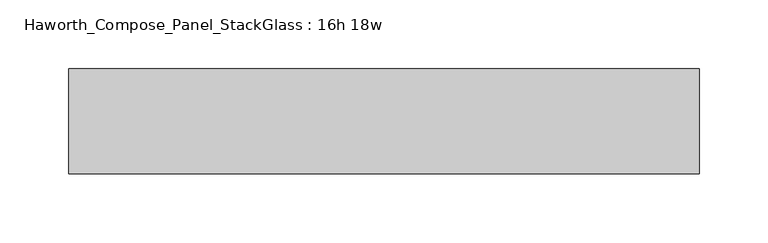
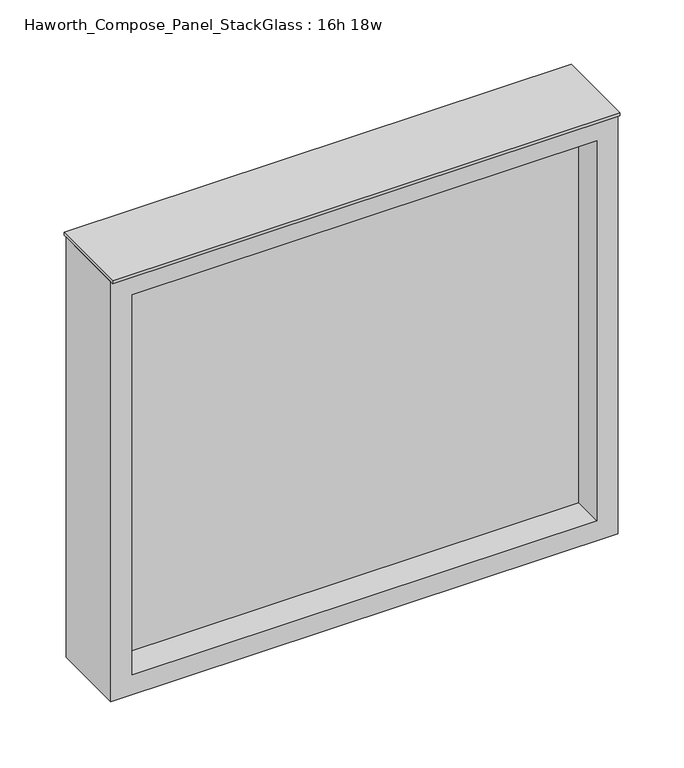
"""IFC4 building model written with IfcOpenShell, lengths in millimetres: furniture geometry, Haworth_Compose_Panel_StackGlass : 16h 18w."""

from ifc_helpers import new_model, si_unit, frame, origin, place, context, project, spatial, polyline, outline, extrude, source, transform, mapped, element, save


def haworth_compose_panel_stackglass_16h_18w_44f79cb2(model_context):
    return source(origin(), model_context, "Body", "SweptSolid", [
        extrude(outline(polyline([(211.9902902, -6.35), (-207.1097098, -6.35), (-207.1097098, 6.35), (211.9902902, 6.35), (211.9902902, -6.35)])), frame((0.0, 0.0, 1085.85), z_axis=(0.0, 0.0, 1.0), x_axis=(1.0, 0.0, 0.0)), (0.0, 0.0, 1.0), 361.95),
        extrude(outline(polyline([(1466.85, -226.1597098), (1066.8, -226.1597098), (1066.8, 231.0402902), (1466.85, 231.0402902), (1466.85, -226.1597098)]), holes=[polyline([(1447.8, 211.9902902), (1085.85, 211.9902902), (1085.85, -207.1097098), (1447.8, -207.1097098), (1447.8, 211.9902902)])]), frame((0.0, -34.925, 0.0), z_axis=(0.0, 1.0, 0.0), x_axis=(0.0, 0.0, 1.0)), (0.0, 0.0, 1.0), 69.85),
        extrude(outline(polyline([(-226.1597098, -38.1), (-226.1597098, 38.1), (231.0402902, 38.1), (231.0402902, -38.1), (-226.1597098, -38.1)])), frame((0.0, 0.0, 1466.85), z_axis=(0.0, 0.0, 1.0), x_axis=(1.0, 0.0, 0.0)), (0.0, 0.0, 1.0), 3.175),
    ])


if __name__ == "__main__":
    model = new_model("IFC4")
    model_context = context("Model", 3, world=origin())
    ifc_project = project(units=[si_unit("LENGTHUNIT", "METRE", prefix="MILLI")], contexts=[model_context])
    site = spatial("IfcSite", under=ifc_project)
    building = spatial("IfcBuilding", under=site)
    placement = place(None, origin())
    haworth_compose_panel_stackglass_16h_18w_shape = haworth_compose_panel_stackglass_16h_18w_44f79cb2(model_context)
    element("IfcFurniture", 1, ObjectType="Haworth_Compose_Panel_StackGlass : 16h 18w", at=placement, inside=building, context=model_context, shape_type="MappedRepresentation", body=[
        mapped(haworth_compose_panel_stackglass_16h_18w_shape, transform((0.0, 0.0, 0.0), x_axis=(1.0, 0.0, 0.0), y_axis=(0.0, 1.0, 0.0), z_axis=(0.0, 0.0, 1.0))),
    ])
    save(model, "model.ifc")
